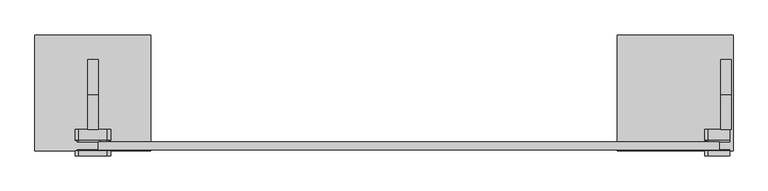
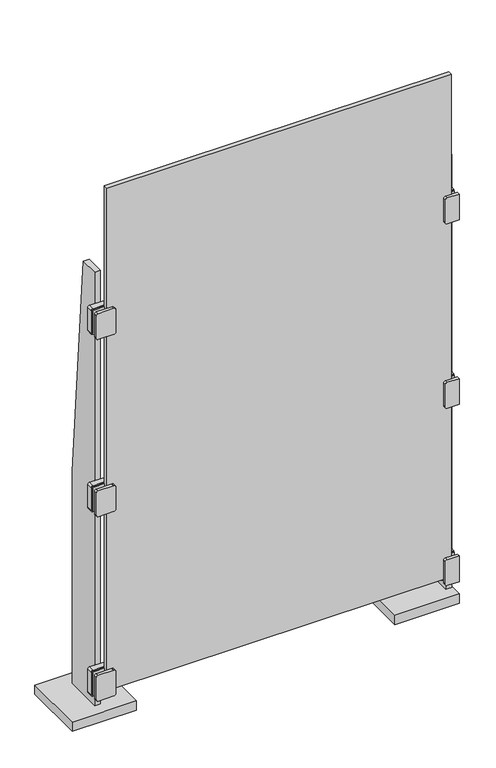
"""IFC4 building model written with IfcOpenShell, lengths in millimetres: plate geometry."""

from ifc_helpers import new_model, si_unit, point, frame, frame_2d, origin, origin_with_axes, place, context, project, spatial, polyline, circle_curve, trimmed, segment, composite_curve, outline, extrude, source, transform, mapped, element, save


def plate_9c3e76ad(model_context):
    return source(origin(), model_context, "Body", "SweptSolid", [
        extrude(outline(composite_curve([segment(polyline([(168.275, -558.7999998), (168.275, -596.8999998)]), True, "CONTINUOUS"), segment(trimmed(circle_curve(frame_2d((165.1, -596.8999998)), 3.175), [point((168.275, -596.8999998))], [point((165.1, -600.0749998))], False, "CARTESIAN"), True, "CONTINUOUS"), segment(polyline([(165.1, -600.0749998), (88.9, -600.0749998)]), True, "CONTINUOUS"), segment(trimmed(circle_curve(frame_2d((88.9, -596.8999998)), 3.175), [point((88.9, -600.0749998))], [point((85.725, -596.8999998))], False, "CARTESIAN"), True, "CONTINUOUS"), segment(polyline([(85.725, -596.8999998), (85.725, -558.7999998), (85.725, -546.0999998)]), True, "CONTINUOUS"), segment(trimmed(circle_curve(frame_2d((88.9, -546.0999998)), 3.175), [point((85.725, -546.0999998))], [point((88.9, -542.9249998))], False, "CARTESIAN"), True, "CONTINUOUS"), segment(polyline([(88.9, -542.9249998), (165.1, -542.9249998)]), True, "CONTINUOUS"), segment(trimmed(circle_curve(frame_2d((165.1, -546.0999998)), 3.175), [point((165.1, -542.9249998))], [point((168.275, -546.0999998))], False, "CARTESIAN"), True, "CONTINUOUS"), segment(polyline([(168.275, -546.0999998), (168.275, -558.7999998)]), True, "CONTINUOUS")], self_intersect=False)), frame((0.0, -114.3, 0.0), z_axis=(0.0, 1.0, 0.0), x_axis=(0.0, 0.0, 1.0)), (0.0, 0.0, 1.0), 1.5875),
        extrude(outline(composite_curve([segment(polyline([(168.275, -558.7999998), (168.275, -596.8999998)]), True, "CONTINUOUS"), segment(trimmed(circle_curve(frame_2d((165.1, -596.8999998)), 3.175), [point((168.275, -596.8999998))], [point((165.1, -600.0749998))], False, "CARTESIAN"), True, "CONTINUOUS"), segment(polyline([(165.1, -600.0749998), (88.9, -600.0749998)]), True, "CONTINUOUS"), segment(trimmed(circle_curve(frame_2d((88.9, -596.8999998)), 3.175), [point((88.9, -600.0749998))], [point((85.725, -596.8999998))], False, "CARTESIAN"), True, "CONTINUOUS"), segment(polyline([(85.725, -596.8999998), (85.725, -558.7999998), (85.725, -546.0999998)]), True, "CONTINUOUS"), segment(trimmed(circle_curve(frame_2d((88.9, -546.0999998)), 3.175), [point((85.725, -546.0999998))], [point((88.9, -542.9249998))], False, "CARTESIAN"), True, "CONTINUOUS"), segment(polyline([(88.9, -542.9249998), (165.1, -542.9249998)]), True, "CONTINUOUS"), segment(trimmed(circle_curve(frame_2d((165.1, -546.0999998)), 3.175), [point((165.1, -542.9249998))], [point((168.275, -546.0999998))], False, "CARTESIAN"), True, "CONTINUOUS"), segment(polyline([(168.275, -546.0999998), (168.275, -558.7999998)]), True, "CONTINUOUS")], self_intersect=False)), frame((0.0, -98.425, 0.0), z_axis=(0.0, 1.0, 0.0), x_axis=(0.0, 0.0, 1.0)), (0.0, 0.0, 1.0), 3.175),
        extrude(outline(composite_curve([segment(polyline([(165.1, -603.2499998), (88.9, -603.2499998)]), True, "CONTINUOUS"), segment(trimmed(circle_curve(frame_2d((88.9, -596.8999998)), 6.35), [point((88.9, -603.2499998))], [point((82.55, -596.8999998))], False, "CARTESIAN"), True, "CONTINUOUS"), segment(polyline([(82.55, -596.8999998), (82.55, -546.0999998)]), True, "CONTINUOUS"), segment(trimmed(circle_curve(frame_2d((88.9, -546.0999998)), 6.35), [point((82.55, -546.0999998))], [point((88.9, -539.7499998))], False, "CARTESIAN"), True, "CONTINUOUS"), segment(polyline([(88.9, -539.7499998), (165.1, -539.7499998)]), True, "CONTINUOUS"), segment(trimmed(circle_curve(frame_2d((165.1, -546.0999998)), 6.35), [point((165.1, -539.7499998))], [point((171.45, -546.0999998))], False, "CARTESIAN"), True, "CONTINUOUS"), segment(polyline([(171.45, -546.0999998), (171.45, -596.8999998)]), True, "CONTINUOUS"), segment(trimmed(circle_curve(frame_2d((165.1, -596.8999998)), 6.35), [point((171.45, -596.8999998))], [point((165.1, -603.2499998))], False, "CARTESIAN"), True, "CONTINUOUS")], self_intersect=False)), frame((0.0, -123.825, 0.0), z_axis=(0.0, 1.0, 0.0), x_axis=(0.0, 0.0, 1.0)), (0.0, 0.0, 1.0), 9.525),
        extrude(outline(composite_curve([segment(polyline([(165.1, -603.2499998), (88.9, -603.2499998)]), True, "CONTINUOUS"), segment(trimmed(circle_curve(frame_2d((88.9, -596.8999998)), 6.35), [point((88.9, -603.2499998))], [point((82.55, -596.8999998))], False, "CARTESIAN"), True, "CONTINUOUS"), segment(polyline([(82.55, -596.8999998), (82.55, -546.0999998)]), True, "CONTINUOUS"), segment(trimmed(circle_curve(frame_2d((88.9, -546.0999998)), 6.35), [point((82.55, -546.0999998))], [point((88.9, -539.7499998))], False, "CARTESIAN"), True, "CONTINUOUS"), segment(polyline([(88.9, -539.7499998), (165.1, -539.7499998)]), True, "CONTINUOUS"), segment(trimmed(circle_curve(frame_2d((165.1, -546.0999998)), 6.35), [point((165.1, -539.7499998))], [point((171.45, -546.0999998))], False, "CARTESIAN"), True, "CONTINUOUS"), segment(polyline([(171.45, -546.0999998), (171.45, -596.8999998)]), True, "CONTINUOUS"), segment(trimmed(circle_curve(frame_2d((165.1, -596.8999998)), 6.35), [point((171.45, -596.8999998))], [point((165.1, -603.2499998))], False, "CARTESIAN"), True, "CONTINUOUS")], self_intersect=False)), frame((0.0, -95.25, 0.0), z_axis=(0.0, 1.0, 0.0), x_axis=(0.0, 0.0, 1.0)), (0.0, 0.0, 1.0), 19.05),
        extrude(outline(composite_curve([segment(polyline([(1412.875, -558.7999998), (1412.875, -596.8999998)]), True, "CONTINUOUS"), segment(trimmed(circle_curve(frame_2d((1409.7, -596.8999998)), 3.175), [point((1412.875, -596.8999998))], [point((1409.7, -600.0749998))], False, "CARTESIAN"), True, "CONTINUOUS"), segment(polyline([(1409.7, -600.0749998), (1333.5, -600.0749998)]), True, "CONTINUOUS"), segment(trimmed(circle_curve(frame_2d((1333.5, -596.8999998)), 3.175), [point((1333.5, -600.0749998))], [point((1330.325, -596.8999998))], False, "CARTESIAN"), True, "CONTINUOUS"), segment(polyline([(1330.325, -596.8999998), (1330.325, -558.7999998), (1330.325, -546.0999998)]), True, "CONTINUOUS"), segment(trimmed(circle_curve(frame_2d((1333.5, -546.0999998)), 3.175), [point((1330.325, -546.0999998))], [point((1333.5, -542.9249998))], False, "CARTESIAN"), True, "CONTINUOUS"), segment(polyline([(1333.5, -542.9249998), (1409.7, -542.9249998)]), True, "CONTINUOUS"), segment(trimmed(circle_curve(frame_2d((1409.7, -546.0999998)), 3.175), [point((1409.7, -542.9249998))], [point((1412.875, -546.0999998))], False, "CARTESIAN"), True, "CONTINUOUS"), segment(polyline([(1412.875, -546.0999998), (1412.875, -558.7999998)]), True, "CONTINUOUS")], self_intersect=False)), frame((0.0, -114.3, 0.0), z_axis=(0.0, 1.0, 0.0), x_axis=(0.0, 0.0, 1.0)), (0.0, 0.0, 1.0), 1.5875),
        extrude(outline(composite_curve([segment(polyline([(1412.875, -558.7999998), (1412.875, -596.8999998)]), True, "CONTINUOUS"), segment(trimmed(circle_curve(frame_2d((1409.7, -596.8999998)), 3.175), [point((1412.875, -596.8999998))], [point((1409.7, -600.0749998))], False, "CARTESIAN"), True, "CONTINUOUS"), segment(polyline([(1409.7, -600.0749998), (1333.5, -600.0749998)]), True, "CONTINUOUS"), segment(trimmed(circle_curve(frame_2d((1333.5, -596.8999998)), 3.175), [point((1333.5, -600.0749998))], [point((1330.325, -596.8999998))], False, "CARTESIAN"), True, "CONTINUOUS"), segment(polyline([(1330.325, -596.8999998), (1330.325, -558.7999998), (1330.325, -546.0999998)]), True, "CONTINUOUS"), segment(trimmed(circle_curve(frame_2d((1333.5, -546.0999998)), 3.175), [point((1330.325, -546.0999998))], [point((1333.5, -542.9249998))], False, "CARTESIAN"), True, "CONTINUOUS"), segment(polyline([(1333.5, -542.9249998), (1409.7, -542.9249998)]), True, "CONTINUOUS"), segment(trimmed(circle_curve(frame_2d((1409.7, -546.0999998)), 3.175), [point((1409.7, -542.9249998))], [point((1412.875, -546.0999998))], False, "CARTESIAN"), True, "CONTINUOUS"), segment(polyline([(1412.875, -546.0999998), (1412.875, -558.7999998)]), True, "CONTINUOUS")], self_intersect=False)), frame((0.0, -98.425, 0.0), z_axis=(0.0, 1.0, 0.0), x_axis=(0.0, 0.0, 1.0)), (0.0, 0.0, 1.0), 3.175),
        extrude(outline(composite_curve([segment(polyline([(1409.7, -603.2499998), (1333.5, -603.2499998)]), True, "CONTINUOUS"), segment(trimmed(circle_curve(frame_2d((1333.5, -596.8999998)), 6.35), [point((1333.5, -603.2499998))], [point((1327.15, -596.8999998))], False, "CARTESIAN"), True, "CONTINUOUS"), segment(polyline([(1327.15, -596.8999998), (1327.15, -546.0999998)]), True, "CONTINUOUS"), segment(trimmed(circle_curve(frame_2d((1333.5, -546.0999998)), 6.35), [point((1327.15, -546.0999998))], [point((1333.5, -539.7499998))], False, "CARTESIAN"), True, "CONTINUOUS"), segment(polyline([(1333.5, -539.7499998), (1409.7, -539.7499998)]), True, "CONTINUOUS"), segment(trimmed(circle_curve(frame_2d((1409.7, -546.0999998)), 6.35), [point((1409.7, -539.7499998))], [point((1416.05, -546.0999998))], False, "CARTESIAN"), True, "CONTINUOUS"), segment(polyline([(1416.05, -546.0999998), (1416.05, -596.8999998)]), True, "CONTINUOUS"), segment(trimmed(circle_curve(frame_2d((1409.7, -596.8999998)), 6.35), [point((1416.05, -596.8999998))], [point((1409.7, -603.2499998))], False, "CARTESIAN"), True, "CONTINUOUS")], self_intersect=False)), frame((0.0, -123.825, 0.0), z_axis=(0.0, 1.0, 0.0), x_axis=(0.0, 0.0, 1.0)), (0.0, 0.0, 1.0), 9.525),
        extrude(outline(composite_curve([segment(polyline([(1409.7, -603.2499998), (1333.5, -603.2499998)]), True, "CONTINUOUS"), segment(trimmed(circle_curve(frame_2d((1333.5, -596.8999998)), 6.35), [point((1333.5, -603.2499998))], [point((1327.15, -596.8999998))], False, "CARTESIAN"), True, "CONTINUOUS"), segment(polyline([(1327.15, -596.8999998), (1327.15, -546.0999998)]), True, "CONTINUOUS"), segment(trimmed(circle_curve(frame_2d((1333.5, -546.0999998)), 6.35), [point((1327.15, -546.0999998))], [point((1333.5, -539.7499998))], False, "CARTESIAN"), True, "CONTINUOUS"), segment(polyline([(1333.5, -539.7499998), (1409.7, -539.7499998)]), True, "CONTINUOUS"), segment(trimmed(circle_curve(frame_2d((1409.7, -546.0999998)), 6.35), [point((1409.7, -539.7499998))], [point((1416.05, -546.0999998))], False, "CARTESIAN"), True, "CONTINUOUS"), segment(polyline([(1416.05, -546.0999998), (1416.05, -596.8999998)]), True, "CONTINUOUS"), segment(trimmed(circle_curve(frame_2d((1409.7, -596.8999998)), 6.35), [point((1416.05, -596.8999998))], [point((1409.7, -603.2499998))], False, "CARTESIAN"), True, "CONTINUOUS")], self_intersect=False)), frame((0.0, -95.25, 0.0), z_axis=(0.0, 1.0, 0.0), x_axis=(0.0, 0.0, 1.0)), (0.0, 0.0, 1.0), 19.05),
        extrude(outline(composite_curve([segment(polyline([(803.275, -558.7999998), (803.275, -596.8999998)]), True, "CONTINUOUS"), segment(trimmed(circle_curve(frame_2d((800.1, -596.8999998)), 3.175), [point((803.275, -596.8999998))], [point((800.1, -600.0749998))], False, "CARTESIAN"), True, "CONTINUOUS"), segment(polyline([(800.1, -600.0749998), (723.9, -600.0749998)]), True, "CONTINUOUS"), segment(trimmed(circle_curve(frame_2d((723.9, -596.8999998)), 3.175), [point((723.9, -600.0749998))], [point((720.725, -596.8999998))], False, "CARTESIAN"), True, "CONTINUOUS"), segment(polyline([(720.725, -596.8999998), (720.725, -558.7999998), (720.725, -546.0999998)]), True, "CONTINUOUS"), segment(trimmed(circle_curve(frame_2d((723.9, -546.0999998)), 3.175), [point((720.725, -546.0999998))], [point((723.9, -542.9249998))], False, "CARTESIAN"), True, "CONTINUOUS"), segment(polyline([(723.9, -542.9249998), (800.1, -542.9249998)]), True, "CONTINUOUS"), segment(trimmed(circle_curve(frame_2d((800.1, -546.0999998)), 3.175), [point((800.1, -542.9249998))], [point((803.275, -546.0999998))], False, "CARTESIAN"), True, "CONTINUOUS"), segment(polyline([(803.275, -546.0999998), (803.275, -558.7999998)]), True, "CONTINUOUS")], self_intersect=False)), frame((0.0, -114.3, 0.0), z_axis=(0.0, 1.0, 0.0), x_axis=(0.0, 0.0, 1.0)), (0.0, 0.0, 1.0), 1.5875),
        extrude(outline(composite_curve([segment(polyline([(803.275, -558.7999998), (803.275, -596.8999998)]), True, "CONTINUOUS"), segment(trimmed(circle_curve(frame_2d((800.1, -596.8999998)), 3.175), [point((803.275, -596.8999998))], [point((800.1, -600.0749998))], False, "CARTESIAN"), True, "CONTINUOUS"), segment(polyline([(800.1, -600.0749998), (723.9, -600.0749998)]), True, "CONTINUOUS"), segment(trimmed(circle_curve(frame_2d((723.9, -596.8999998)), 3.175), [point((723.9, -600.0749998))], [point((720.725, -596.8999998))], False, "CARTESIAN"), True, "CONTINUOUS"), segment(polyline([(720.725, -596.8999998), (720.725, -558.7999998), (720.725, -546.0999998)]), True, "CONTINUOUS"), segment(trimmed(circle_curve(frame_2d((723.9, -546.0999998)), 3.175), [point((720.725, -546.0999998))], [point((723.9, -542.9249998))], False, "CARTESIAN"), True, "CONTINUOUS"), segment(polyline([(723.9, -542.9249998), (800.1, -542.9249998)]), True, "CONTINUOUS"), segment(trimmed(circle_curve(frame_2d((800.1, -546.0999998)), 3.175), [point((800.1, -542.9249998))], [point((803.275, -546.0999998))], False, "CARTESIAN"), True, "CONTINUOUS"), segment(polyline([(803.275, -546.0999998), (803.275, -558.7999998)]), True, "CONTINUOUS")], self_intersect=False)), frame((0.0, -98.425, 0.0), z_axis=(0.0, 1.0, 0.0), x_axis=(0.0, 0.0, 1.0)), (0.0, 0.0, 1.0), 3.175),
        extrude(outline(composite_curve([segment(polyline([(800.1, -603.2499998), (723.9, -603.2499998)]), True, "CONTINUOUS"), segment(trimmed(circle_curve(frame_2d((723.9, -596.8999998)), 6.35), [point((723.9, -603.2499998))], [point((717.55, -596.8999998))], False, "CARTESIAN"), True, "CONTINUOUS"), segment(polyline([(717.55, -596.8999998), (717.55, -546.0999998)]), True, "CONTINUOUS"), segment(trimmed(circle_curve(frame_2d((723.9, -546.0999998)), 6.35), [point((717.55, -546.0999998))], [point((723.9, -539.7499998))], False, "CARTESIAN"), True, "CONTINUOUS"), segment(polyline([(723.9, -539.7499998), (800.1, -539.7499998)]), True, "CONTINUOUS"), segment(trimmed(circle_curve(frame_2d((800.1, -546.0999998)), 6.35), [point((800.1, -539.7499998))], [point((806.45, -546.0999998))], False, "CARTESIAN"), True, "CONTINUOUS"), segment(polyline([(806.45, -546.0999998), (806.45, -596.8999998)]), True, "CONTINUOUS"), segment(trimmed(circle_curve(frame_2d((800.1, -596.8999998)), 6.35), [point((806.45, -596.8999998))], [point((800.1, -603.2499998))], False, "CARTESIAN"), True, "CONTINUOUS")], self_intersect=False)), frame((0.0, -123.825, 0.0), z_axis=(0.0, 1.0, 0.0), x_axis=(0.0, 0.0, 1.0)), (0.0, 0.0, 1.0), 9.525),
        extrude(outline(composite_curve([segment(polyline([(800.1, -603.2499998), (723.9, -603.2499998)]), True, "CONTINUOUS"), segment(trimmed(circle_curve(frame_2d((723.9, -596.8999998)), 6.35), [point((723.9, -603.2499998))], [point((717.55, -596.8999998))], False, "CARTESIAN"), True, "CONTINUOUS"), segment(polyline([(717.55, -596.8999998), (717.55, -546.0999998)]), True, "CONTINUOUS"), segment(trimmed(circle_curve(frame_2d((723.9, -546.0999998)), 6.35), [point((717.55, -546.0999998))], [point((723.9, -539.7499998))], False, "CARTESIAN"), True, "CONTINUOUS"), segment(polyline([(723.9, -539.7499998), (800.1, -539.7499998)]), True, "CONTINUOUS"), segment(trimmed(circle_curve(frame_2d((800.1, -546.0999998)), 6.35), [point((800.1, -539.7499998))], [point((806.45, -546.0999998))], False, "CARTESIAN"), True, "CONTINUOUS"), segment(polyline([(806.45, -546.0999998), (806.45, -596.8999998)]), True, "CONTINUOUS"), segment(trimmed(circle_curve(frame_2d((800.1, -596.8999998)), 6.35), [point((806.45, -596.8999998))], [point((800.1, -603.2499998))], False, "CARTESIAN"), True, "CONTINUOUS")], self_intersect=False)), frame((0.0, -95.25, 0.0), z_axis=(0.0, 1.0, 0.0), x_axis=(0.0, 0.0, 1.0)), (0.0, 0.0, 1.0), 19.05),
        extrude(outline(polyline([(50.8, 762.0), (50.8, 0.0), (-76.2, 0.0), (-76.2, 1524.0), (-12.7, 1524.0), (50.8, 762.0)])), frame((-581.0249998, 0.0, 0.0), z_axis=(1.0, 0.0, 0.0), x_axis=(0.0, 1.0, 0.0)), (0.0, 0.0, 1.0), 19.05),
        extrude(outline(polyline([(-466.7249998, 95.25), (-466.7249998, -114.3), (-676.2749998, -114.3), (-676.2749998, 95.25), (-466.7249998, 95.25)])), origin_with_axes(), (0.0, 0.0, 1.0), 31.75),
        extrude(outline(composite_curve([segment(polyline([(168.275, 577.8499998), (168.275, 539.7499998)]), True, "CONTINUOUS"), segment(trimmed(circle_curve(frame_2d((165.1, 539.7499998)), 3.175), [point((168.275, 539.7499998))], [point((165.1, 536.5749998))], False, "CARTESIAN"), True, "CONTINUOUS"), segment(polyline([(165.1, 536.5749998), (88.9, 536.5749998)]), True, "CONTINUOUS"), segment(trimmed(circle_curve(frame_2d((88.9, 539.7499998)), 3.175), [point((88.9, 536.5749998))], [point((85.725, 539.7499998))], False, "CARTESIAN"), True, "CONTINUOUS"), segment(polyline([(85.725, 539.7499998), (85.725, 577.8499998), (168.275, 577.8499998)]), True, "CONTINUOUS")], self_intersect=False)), frame((0.0, -114.3, 0.0), z_axis=(0.0, 1.0, 0.0), x_axis=(0.0, 0.0, 1.0)), (0.0, 0.0, 1.0), 1.5875),
        extrude(outline(composite_curve([segment(polyline([(168.275, 577.8499998), (168.275, 539.7499998)]), True, "CONTINUOUS"), segment(trimmed(circle_curve(frame_2d((165.1, 539.7499998)), 3.175), [point((168.275, 539.7499998))], [point((165.1, 536.5749998))], False, "CARTESIAN"), True, "CONTINUOUS"), segment(polyline([(165.1, 536.5749998), (88.9, 536.5749998)]), True, "CONTINUOUS"), segment(trimmed(circle_curve(frame_2d((88.9, 539.7499998)), 3.175), [point((88.9, 536.5749998))], [point((85.725, 539.7499998))], False, "CARTESIAN"), True, "CONTINUOUS"), segment(polyline([(85.725, 539.7499998), (85.725, 577.8499998), (168.275, 577.8499998)]), True, "CONTINUOUS")], self_intersect=False)), frame((0.0, -98.425, 0.0), z_axis=(0.0, 1.0, 0.0), x_axis=(0.0, 0.0, 1.0)), (0.0, 0.0, 1.0), 3.175),
        extrude(outline(composite_curve([segment(polyline([(165.1, 533.3999998), (88.9, 533.3999998)]), True, "CONTINUOUS"), segment(trimmed(circle_curve(frame_2d((88.9, 539.7499998)), 6.35), [point((88.9, 533.3999998))], [point((82.55, 539.7499998))], False, "CARTESIAN"), True, "CONTINUOUS"), segment(polyline([(82.55, 539.7499998), (82.55, 577.8499998), (171.45, 577.8499998), (171.45, 539.7499998)]), True, "CONTINUOUS"), segment(trimmed(circle_curve(frame_2d((165.1, 539.7499998)), 6.35), [point((171.45, 539.7499998))], [point((165.1, 533.3999998))], False, "CARTESIAN"), True, "CONTINUOUS")], self_intersect=False)), frame((0.0, -123.825, 0.0), z_axis=(0.0, 1.0, 0.0), x_axis=(0.0, 0.0, 1.0)), (0.0, 0.0, 1.0), 9.525),
        extrude(outline(composite_curve([segment(polyline([(165.1, 533.3999998), (88.9, 533.3999998)]), True, "CONTINUOUS"), segment(trimmed(circle_curve(frame_2d((88.9, 539.7499998)), 6.35), [point((88.9, 533.3999998))], [point((82.55, 539.7499998))], False, "CARTESIAN"), True, "CONTINUOUS"), segment(polyline([(82.55, 539.7499998), (82.55, 577.8499998), (171.45, 577.8499998), (171.45, 539.7499998)]), True, "CONTINUOUS"), segment(trimmed(circle_curve(frame_2d((165.1, 539.7499998)), 6.35), [point((171.45, 539.7499998))], [point((165.1, 533.3999998))], False, "CARTESIAN"), True, "CONTINUOUS")], self_intersect=False)), frame((0.0, -95.25, 0.0), z_axis=(0.0, 1.0, 0.0), x_axis=(0.0, 0.0, 1.0)), (0.0, 0.0, 1.0), 19.05),
        extrude(outline(polyline([(374.6499998, 95.25), (584.1999998, 95.25), (584.1999998, -114.3), (374.6499998, -114.3), (374.6499998, 95.25)])), origin_with_axes(), (0.0, 0.0, 1.0), 31.75),
        extrude(outline(composite_curve([segment(polyline([(1412.875, 577.8499998), (1412.875, 539.7499998)]), True, "CONTINUOUS"), segment(trimmed(circle_curve(frame_2d((1409.7, 539.7499998)), 3.175), [point((1412.875, 539.7499998))], [point((1409.7, 536.5749998))], False, "CARTESIAN"), True, "CONTINUOUS"), segment(polyline([(1409.7, 536.5749998), (1333.5, 536.5749998)]), True, "CONTINUOUS"), segment(trimmed(circle_curve(frame_2d((1333.5, 539.7499998)), 3.175), [point((1333.5, 536.5749998))], [point((1330.325, 539.7499998))], False, "CARTESIAN"), True, "CONTINUOUS"), segment(polyline([(1330.325, 539.7499998), (1330.325, 577.8499998), (1412.875, 577.8499998)]), True, "CONTINUOUS")], self_intersect=False)), frame((0.0, -114.3, 0.0), z_axis=(0.0, 1.0, 0.0), x_axis=(0.0, 0.0, 1.0)), (0.0, 0.0, 1.0), 1.5875),
        extrude(outline(composite_curve([segment(polyline([(1412.875, 577.8499998), (1412.875, 539.7499998)]), True, "CONTINUOUS"), segment(trimmed(circle_curve(frame_2d((1409.7, 539.7499998)), 3.175), [point((1412.875, 539.7499998))], [point((1409.7, 536.5749998))], False, "CARTESIAN"), True, "CONTINUOUS"), segment(polyline([(1409.7, 536.5749998), (1333.5, 536.5749998)]), True, "CONTINUOUS"), segment(trimmed(circle_curve(frame_2d((1333.5, 539.7499998)), 3.175), [point((1333.5, 536.5749998))], [point((1330.325, 539.7499998))], False, "CARTESIAN"), True, "CONTINUOUS"), segment(polyline([(1330.325, 539.7499998), (1330.325, 577.8499998), (1412.875, 577.8499998)]), True, "CONTINUOUS")], self_intersect=False)), frame((0.0, -98.425, 0.0), z_axis=(0.0, 1.0, 0.0), x_axis=(0.0, 0.0, 1.0)), (0.0, 0.0, 1.0), 3.175),
        extrude(outline(composite_curve([segment(polyline([(1409.7, 533.3999998), (1333.5, 533.3999998)]), True, "CONTINUOUS"), segment(trimmed(circle_curve(frame_2d((1333.5, 539.7499998)), 6.35), [point((1333.5, 533.3999998))], [point((1327.15, 539.7499998))], False, "CARTESIAN"), True, "CONTINUOUS"), segment(polyline([(1327.15, 539.7499998), (1327.15, 577.8499998), (1416.05, 577.8499998), (1416.05, 539.7499998)]), True, "CONTINUOUS"), segment(trimmed(circle_curve(frame_2d((1409.7, 539.7499998)), 6.35), [point((1416.05, 539.7499998))], [point((1409.7, 533.3999998))], False, "CARTESIAN"), True, "CONTINUOUS")], self_intersect=False)), frame((0.0, -123.825, 0.0), z_axis=(0.0, 1.0, 0.0), x_axis=(0.0, 0.0, 1.0)), (0.0, 0.0, 1.0), 9.525),
        extrude(outline(composite_curve([segment(polyline([(1409.7, 533.3999998), (1333.5, 533.3999998)]), True, "CONTINUOUS"), segment(trimmed(circle_curve(frame_2d((1333.5, 539.7499998)), 6.35), [point((1333.5, 533.3999998))], [point((1327.15, 539.7499998))], False, "CARTESIAN"), True, "CONTINUOUS"), segment(polyline([(1327.15, 539.7499998), (1327.15, 577.8499998), (1416.05, 577.8499998), (1416.05, 539.7499998)]), True, "CONTINUOUS"), segment(trimmed(circle_curve(frame_2d((1409.7, 539.7499998)), 6.35), [point((1416.05, 539.7499998))], [point((1409.7, 533.3999998))], False, "CARTESIAN"), True, "CONTINUOUS")], self_intersect=False)), frame((0.0, -95.25, 0.0), z_axis=(0.0, 1.0, 0.0), x_axis=(0.0, 0.0, 1.0)), (0.0, 0.0, 1.0), 19.05),
        extrude(outline(composite_curve([segment(polyline([(777.875, 577.8499998), (777.875, 539.7499998)]), True, "CONTINUOUS"), segment(trimmed(circle_curve(frame_2d((774.7, 539.7499998)), 3.175), [point((777.875, 539.7499998))], [point((774.7, 536.5749998))], False, "CARTESIAN"), True, "CONTINUOUS"), segment(polyline([(774.7, 536.5749998), (698.5, 536.5749998)]), True, "CONTINUOUS"), segment(trimmed(circle_curve(frame_2d((698.5, 539.7499998)), 3.175), [point((698.5, 536.5749998))], [point((695.325, 539.7499998))], False, "CARTESIAN"), True, "CONTINUOUS"), segment(polyline([(695.325, 539.7499998), (695.325, 577.8499998), (777.875, 577.8499998)]), True, "CONTINUOUS")], self_intersect=False)), frame((0.0, -114.3, 0.0), z_axis=(0.0, 1.0, 0.0), x_axis=(0.0, 0.0, 1.0)), (0.0, 0.0, 1.0), 1.5875),
        extrude(outline(composite_curve([segment(polyline([(777.875, 577.8499998), (777.875, 539.7499998)]), True, "CONTINUOUS"), segment(trimmed(circle_curve(frame_2d((774.7, 539.7499998)), 3.175), [point((777.875, 539.7499998))], [point((774.7, 536.5749998))], False, "CARTESIAN"), True, "CONTINUOUS"), segment(polyline([(774.7, 536.5749998), (698.5, 536.5749998)]), True, "CONTINUOUS"), segment(trimmed(circle_curve(frame_2d((698.5, 539.7499998)), 3.175), [point((698.5, 536.5749998))], [point((695.325, 539.7499998))], False, "CARTESIAN"), True, "CONTINUOUS"), segment(polyline([(695.325, 539.7499998), (695.325, 577.8499998), (777.875, 577.8499998)]), True, "CONTINUOUS")], self_intersect=False)), frame((0.0, -98.425, 0.0), z_axis=(0.0, 1.0, 0.0), x_axis=(0.0, 0.0, 1.0)), (0.0, 0.0, 1.0), 3.175),
        extrude(outline(composite_curve([segment(polyline([(774.7, 533.3999998), (698.5, 533.3999998)]), True, "CONTINUOUS"), segment(trimmed(circle_curve(frame_2d((698.5, 539.7499998)), 6.35), [point((698.5, 533.3999998))], [point((692.15, 539.7499998))], False, "CARTESIAN"), True, "CONTINUOUS"), segment(polyline([(692.15, 539.7499998), (692.15, 577.8499998), (781.05, 577.8499998), (781.05, 539.7499998)]), True, "CONTINUOUS"), segment(trimmed(circle_curve(frame_2d((774.7, 539.7499998)), 6.35), [point((781.05, 539.7499998))], [point((774.7, 533.3999998))], False, "CARTESIAN"), True, "CONTINUOUS")], self_intersect=False)), frame((0.0, -123.825, 0.0), z_axis=(0.0, 1.0, 0.0), x_axis=(0.0, 0.0, 1.0)), (0.0, 0.0, 1.0), 9.525),
        extrude(outline(composite_curve([segment(polyline([(774.7, 533.3999998), (698.5, 533.3999998)]), True, "CONTINUOUS"), segment(trimmed(circle_curve(frame_2d((698.5, 539.7499998)), 6.35), [point((698.5, 533.3999998))], [point((692.15, 539.7499998))], False, "CARTESIAN"), True, "CONTINUOUS"), segment(polyline([(692.15, 539.7499998), (692.15, 577.8499998), (781.05, 577.8499998), (781.05, 539.7499998)]), True, "CONTINUOUS"), segment(trimmed(circle_curve(frame_2d((774.7, 539.7499998)), 6.35), [point((781.05, 539.7499998))], [point((774.7, 533.3999998))], False, "CARTESIAN"), True, "CONTINUOUS")], self_intersect=False)), frame((0.0, -95.25, 0.0), z_axis=(0.0, 1.0, 0.0), x_axis=(0.0, 0.0, 1.0)), (0.0, 0.0, 1.0), 19.05),
        extrude(outline(polyline([(50.8, 762.0), (50.8, 0.0), (-76.2, 0.0), (-76.2, 1524.0), (-12.7, 1524.0), (50.8, 762.0)])), frame((561.9749998, 0.0, 0.0), z_axis=(1.0, 0.0, 0.0), x_axis=(0.0, 1.0, 0.0)), (0.0, 0.0, 1.0), 19.05),
        extrude(outline(polyline([(558.7999998, -98.425), (558.7999998, -112.7125), (-561.9749998, -112.7125), (-561.9749998, -98.425), (558.7999998, -98.425)])), frame((0.0, 0.0, 98.425), z_axis=(0.0, 0.0, 1.0), x_axis=(1.0, 0.0, 0.0)), (0.0, 0.0, 1.0), 1730.375),
    ])


if __name__ == "__main__":
    model = new_model("IFC4")
    model_context = context("Model", 3, world=origin())
    ifc_project = project(units=[si_unit("LENGTHUNIT", "METRE", prefix="MILLI")], contexts=[model_context])
    site = spatial("IfcSite", under=ifc_project)
    building = spatial("IfcBuilding", under=site)
    placement = place(None, origin())
    plate_shape = plate_9c3e76ad(model_context)
    element("IfcPlate", 1, at=placement, inside=building, context=model_context, shape_type="MappedRepresentation", body=[
        mapped(plate_shape, transform((0.0, 0.0, 0.0), x_axis=(1.0, 0.0, 0.0), y_axis=(0.0, 1.0, 0.0), z_axis=(0.0, 0.0, 1.0))),
    ])
    save(model, "model.ifc")
